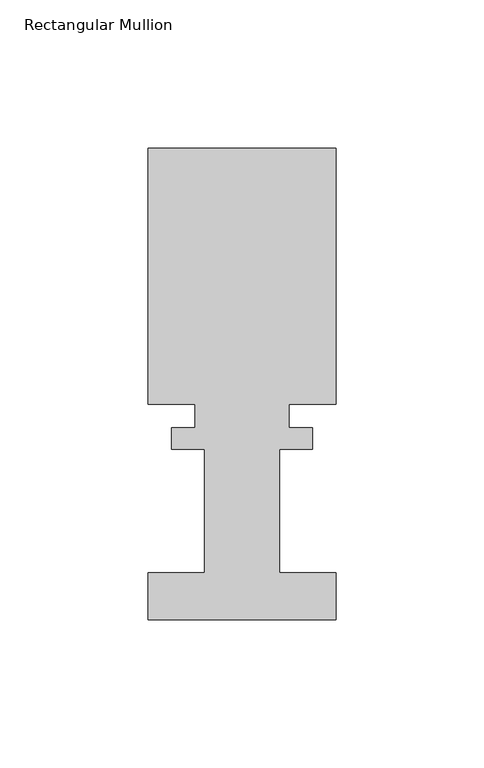
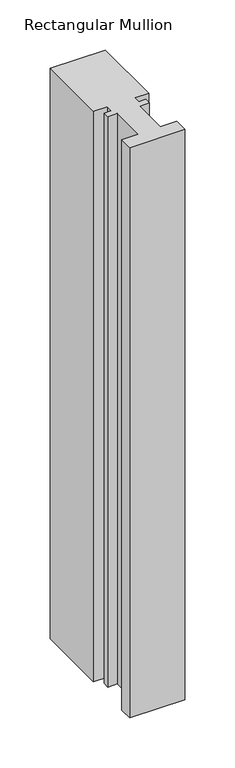
"""IFC4 building model written with IfcOpenShell, lengths in millimetres: member geometry, Rectangular Mullion."""

from ifc_helpers import new_model, si_unit, frame, origin, place, context, project, spatial, polyline, outline, extrude, source, transform, mapped, element, save


def rectangular_mullion_cebe7a08(model_context):
    return source(origin(), model_context, "Body", "SweptSolid", [
        extrude(outline(polyline([(31.75, 101.6992188), (31.75, 15.1614188), (15.875, 15.1614188), (15.875, 7.2620187), (23.8252, 7.2620187), (23.8252, 0.0992187), (12.7, 0.0992187), (12.7, -41.5602697), (31.75, -41.5602697), (31.75, -57.4317813), (-31.75, -57.4317813), (-31.75, -41.5602697), (-12.7, -41.5602697), (-12.7, 0.0992187), (-23.8252, 0.0992187), (-23.8252, 7.2620188), (-15.875, 7.2620188), (-15.875, 15.1614188), (-31.75, 15.1614188), (-31.75, 101.6992188), (31.75, 101.6992188)])), frame((0.0, 0.0, -695.1711086), z_axis=(0.0, 0.0, 1.0), x_axis=(1.0, 0.0, 0.0)), (0.0, 0.0, 1.0), 695.1711086),
    ])


if __name__ == "__main__":
    model = new_model("IFC4")
    model_context = context("Model", 3, world=origin())
    ifc_project = project(units=[si_unit("LENGTHUNIT", "METRE", prefix="MILLI")], contexts=[model_context])
    site = spatial("IfcSite", under=ifc_project)
    building = spatial("IfcBuilding", under=site)
    placement = place(None, origin())
    rectangular_mullion_shape = rectangular_mullion_cebe7a08(model_context)
    element("IfcMember", 1, ObjectType="Rectangular Mullion", at=placement, inside=building, context=model_context, shape_type="MappedRepresentation", body=[
        mapped(rectangular_mullion_shape, transform((0.0, 0.0, 0.0), x_axis=(1.0, 0.0, 0.0), y_axis=(0.0, 1.0, 0.0), z_axis=(0.0, 0.0, 1.0))),
    ])
    save(model, "model.ifc")
